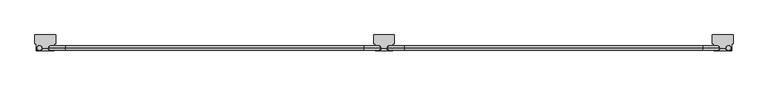
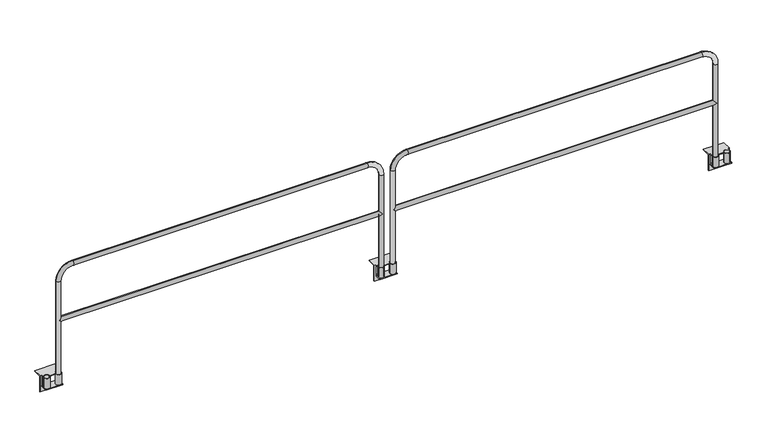
"""IFC4 building model written with IfcOpenShell, lengths in millimetres: railing geometry."""

from ifc_helpers import new_model, si_unit, point, frame, frame_2d, origin, place, context, project, spatial, polyline, circle_curve, ellipse_curve, trimmed, segment, composite_curve, outline, extrude, source, transform, mapped, element, save
from ifc_brep_helpers import plane_surface, cylinder_surface, revolved_surface, advanced_brep


def railing_3eb8ea91(model_context):
    return source(origin(), model_context, "Body", "SolidModel", [
        advanced_brep(
        [(22042.6627627, 9318.0676937, -95.25), (22042.6627627, 9318.0676937, -101.6), (22042.6627627, 9383.1551937, -101.6), (22042.6627627, 9383.1551937, -95.25), (22042.6627627, 9345.0551937, -95.25), (22042.6627627, 9383.1551937, 6.35), (22042.6627627, 9345.0551937, 6.35), (22042.6627627, 9345.0551937, 0.0), (22042.6627627, 9383.1551937, 0.0), (21880.9246893, 9383.1551937, -101.6), (21880.9246893, 9318.0676937, -101.6), (21880.9246893, 9318.0676937, -95.25), (21880.9246893, 9345.0551937, -95.25), (21880.9246893, 9383.1551937, -95.25), (21880.9246893, 9383.1551937, 0.0), (21880.9246893, 9345.0551937, 0.0), (21880.9246893, 9345.0551937, 6.35), (21880.9246893, 9383.1551937, 6.35), (21988.6877627, 9345.0551937, 6.35), (21934.8996893, 9345.0551937, 6.35), (21934.8996893, 9345.0551937, 0.0), (21988.6877627, 9345.0551937, 0.0), (21866.543726, 9465.7051937, 6.35), (21866.543726, 9383.1551937, 6.35), (22057.043726, 9383.1551937, 6.35), (22057.043726, 9465.7051937, 6.35), (21866.543726, 9465.7051937, 0.0), (22057.043726, 9465.7051937, 0.0), (21866.543726, 9389.5051937, 0.0), (22057.043726, 9389.5051937, 0.0), (22042.6627627, 9389.5051937, 0.0), (21880.9246893, 9389.5051937, 0.0), (21880.9246893, 9389.5051937, -95.25), (22042.6627627, 9389.5051937, -95.25), (22057.043726, 9389.5051937, -152.4), (21866.543726, 9389.5051937, -152.4), (21907.9121893, 9318.0676937, -95.25), (22015.6752627, 9318.0676937, -95.25), (21866.543726, 9383.1551937, -152.4), (22057.043726, 9383.1551937, -152.4)],
        [
            (0, 1),
            (1, 2),
            (2, 3),
            (3, 4),
            (4, 0),
            (5, 6),
            (6, 7),
            (7, 8),
            (8, 5),
            (9, 10),
            (10, 11),
            (11, 12),
            (12, 13),
            (13, 9),
            (14, 15),
            (15, 16),
            (16, 17),
            (17, 14),
            (18, 19),
            (19, 20),
            (20, 21),
            (21, 18),
            (22, 23),
            (23, 17),
            (16, 19, circle_curve(frame((21907.9121893, 9345.0551937, 6.35), z_axis=(0.0, 0.0, -1.0), x_axis=(1.0, 0.0, 0.0)), 26.9875)),
            (18, 6, circle_curve(frame((22015.6752627, 9345.0551937, 6.35), z_axis=(0.0, 0.0, -1.0), x_axis=(1.0, 0.0, 0.0)), 26.9875)),
            (5, 24),
            (24, 25),
            (25, 22),
            (26, 22),
            (25, 27),
            (27, 26),
            (28, 26),
            (27, 29),
            (29, 30),
            (30, 8),
            (7, 21, circle_curve(frame((22015.6752627, 9345.0551937, 0.0), z_axis=(0.0, 0.0, 1.0), x_axis=(1.0, 0.0, 0.0)), 26.9875)),
            (20, 15, circle_curve(frame((21907.9121893, 9345.0551937, 0.0), z_axis=(0.0, 0.0, 1.0), x_axis=(1.0, 0.0, 0.0)), 26.9875)),
            (14, 31),
            (31, 28),
            (32, 33),
            (33, 30),
            (29, 34),
            (34, 35),
            (35, 28),
            (31, 32),
            (32, 13),
            (11, 36),
            (36, 37),
            (37, 0),
            (3, 33),
            (10, 1),
            (9, 2),
            (35, 38),
            (38, 23),
            (14, 13),
            (24, 39),
            (39, 34),
            (3, 8),
            (38, 39),
        ],
        [
            plane_surface(frame((22042.6627627, 9389.5051937, 0.0), z_axis=(1.0, 0.0, 0.0), x_axis=(0.0, 0.0, 1.0))),
            plane_surface(frame((21880.9246893, 9389.5051937, 0.0), z_axis=(-1.0, 0.0, 0.0), x_axis=(0.0, 0.0, 1.0))),
            plane_surface(frame((22042.6627627, 9345.0551937, 6.35), z_axis=(0.0, -1.0, 0.0), x_axis=(-1.0, 0.0, 0.0))),
            plane_surface(frame((22042.6627627, 9465.7051937, 6.35), z_axis=(0.0, 0.0, 1.0), x_axis=(-1.0, 0.0, 0.0))),
            plane_surface(frame((22042.6627627, 9465.7051937, 0.0), z_axis=(0.0, 1.0, 0.0), x_axis=(-1.0, 0.0, 0.0))),
            plane_surface(frame((22042.6627627, 9345.0551937, 0.0), z_axis=(0.0, 0.0, -1.0), x_axis=(-1.0, 0.0, 0.0))),
            plane_surface(frame((22042.6627627, 9389.5051937, -152.4), z_axis=(0.0, 1.0, 0.0), x_axis=(-1.0, 0.0, 0.0))),
            plane_surface(frame((22042.6627627, 9389.5051937, -95.25), z_axis=(0.0, 0.0, 1.0), x_axis=(-1.0, 0.0, 0.0))),
            plane_surface(frame((22042.6627627, 9318.0676937, -95.25), z_axis=(0.0, -1.0, 0.0), x_axis=(-1.0, 0.0, 0.0))),
            plane_surface(frame((22042.6627627, 9318.0676937, -101.6), z_axis=(0.0, 0.0, -1.0), x_axis=(-1.0, 0.0, 0.0))),
            plane_surface(frame((21866.543726, 9389.5051937, 0.0), z_axis=(-1.0, 0.0, 0.0), x_axis=(0.0, 0.0, 1.0))),
            plane_surface(frame((21880.9246893, 9389.5051937, 0.0), z_axis=(1.0, 0.0, 0.0), x_axis=(0.0, 0.0, 1.0))),
            plane_surface(frame((22057.043726, 9389.5051937, 0.0), z_axis=(1.0, 0.0, 0.0), x_axis=(0.0, 0.0, 1.0))),
            plane_surface(frame((22042.6627627, 9389.5051937, 0.0), z_axis=(-1.0, 0.0, 0.0), x_axis=(0.0, 0.0, 1.0))),
            revolved_surface(polyline([(21934.8996893, 9345.0551937, 6.349999999999994), (21934.8996893, 9345.0551937, 0.0)]), (21907.9121893, 9345.0551937, -95.25), (0.0, 0.0, 1.0)),
            revolved_surface(polyline([(22042.662762699998, 9345.0551937, 6.35), (22042.662762699998, 9345.0551937, 0.0)]), (22015.6752627, 9345.0551937, 0.0), (0.0, 0.0, 1.0)),
            plane_surface(frame((22042.6627627, 9383.1551937, -101.6), z_axis=(0.0, -1.0, 0.0), x_axis=(-1.0, 0.0, 0.0))),
            plane_surface(frame((22042.6627627, 9383.1551937, -152.4), z_axis=(0.0, 0.0, -1.0), x_axis=(-1.0, 0.0, 0.0))),
        ],
        [
            (0, [[1, 2, 3, 4, 5]]),
            (0, [[6, 7, 8, 9]]),
            (1, [[10, 11, 12, 13, 14]]),
            (1, [[15, 16, 17, 18]]),
            (2, [[19, 20, 21, 22]]),
            (3, [[23, 24, -17, 25, -19, 26, -6, 27, 28, 29]]),
            (4, [[30, -29, 31, 32]]),
            (5, [[33, -32, 34, 35, 36, -8, 37, -21, 38, -15, 39, 40]]),
            (6, [[41, 42, -35, 43, 44, 45, -40, 46]]),
            (7, [[-41, 47, -13, -12, 48, 49, 50, -5, -4, 51]]),
            (8, [[-1, -50, -49, -48, -11, 52]]),
            (9, [[-2, -52, -10, 53]]),
            (10, [[54, 55, -23, -30, -33, -45]]),
            (11, [[-46, -39, 56, -47]]),
            (12, [[-43, -34, -31, -28, 57, 58]]),
            (13, [[-42, -51, 59, -36]]),
            (14, [[-16, -38, -20, -25]]),
            (15, [[-7, -26, -22, -37]]),
            (16, [[-53, -14, -56, -18, -24, -55, 60, -57, -27, -9, -59, -3]]),
            (17, [[-54, -44, -58, -60]]),
        ],
    ),
        extrude(outline(composite_curve([segment(trimmed(circle_curve(frame_2d((22015.6752627, 9345.0551937)), 26.9875), [point((21988.6877627, 9345.0551937))], [point((22042.6627627, 9345.0551937))], False, "CARTESIAN"), True, "CONTINUOUS"), segment(trimmed(circle_curve(frame_2d((22015.6752627, 9345.0551937)), 26.9875), [point((22042.6627627, 9345.0551937))], [point((21988.6877627, 9345.0551937))], False, "CARTESIAN"), True, "CONTINUOUS")], self_intersect=False), holes=[composite_curve([segment(trimmed(circle_curve(frame_2d((22015.6752627, 9345.0551937)), 20.6375), [point((21995.0377627, 9345.0551937))], [point((22036.3127627, 9345.0551937))], True, "CARTESIAN"), True, "CONTINUOUS"), segment(trimmed(circle_curve(frame_2d((22015.6752627, 9345.0551937)), 20.6375), [point((22036.3127627, 9345.0551937))], [point((21995.0377627, 9345.0551937))], True, "CARTESIAN"), True, "CONTINUOUS")], self_intersect=False)]), frame((0.0, 0.0, -95.25), z_axis=(0.0, 0.0, 1.0), x_axis=(1.0, 0.0, 0.0)), (0.0, 0.0, 1.0), 101.6),
        extrude(outline(composite_curve([segment(trimmed(circle_curve(frame_2d((21907.9121893, 9345.0551937)), 26.9875), [point((21880.9246893, 9345.0551937))], [point((21934.8996893, 9345.0551937))], False, "CARTESIAN"), True, "CONTINUOUS"), segment(trimmed(circle_curve(frame_2d((21907.9121893, 9345.0551937)), 26.9875), [point((21934.8996893, 9345.0551937))], [point((21880.9246893, 9345.0551937))], False, "CARTESIAN"), True, "CONTINUOUS")], self_intersect=False), holes=[composite_curve([segment(trimmed(circle_curve(frame_2d((21907.9121893, 9345.0551937)), 20.6375), [point((21887.2746893, 9345.0551937))], [point((21928.5496893, 9345.0551937))], True, "CARTESIAN"), True, "CONTINUOUS"), segment(trimmed(circle_curve(frame_2d((21907.9121893, 9345.0551937)), 20.6375), [point((21928.5496893, 9345.0551937))], [point((21887.2746893, 9345.0551937))], True, "CARTESIAN"), True, "CONTINUOUS")], self_intersect=False)]), frame((0.0, 0.0, -95.25), z_axis=(0.0, 0.0, 1.0), x_axis=(1.0, 0.0, 0.0)), (0.0, 0.0, 1.0), 101.6),
        advanced_brep(
        [(24995.4127627, 9318.0676937, -95.25), (24995.4127627, 9345.0551937, -95.25), (24995.4127627, 9383.1551937, -95.25), (24995.4127627, 9383.1551937, -101.6), (24995.4127627, 9318.0676937, -101.6), (24995.4127627, 9383.1551937, 6.35), (24995.4127627, 9383.1551937, 0.0), (24995.4127627, 9345.0551937, 0.0), (24995.4127627, 9345.0551937, 6.35), (25157.1508362, 9383.1551937, -101.6), (25157.1508362, 9383.1551937, -95.25), (25157.1508362, 9345.0551937, -95.25), (25157.1508362, 9318.0676937, -95.25), (25157.1508362, 9318.0676937, -101.6), (25157.1508362, 9383.1551937, 0.0), (25157.1508362, 9383.1551937, 6.35), (25157.1508362, 9345.0551937, 6.35), (25157.1508362, 9345.0551937, 0.0), (25049.3877627, 9345.0551937, 6.35), (25049.3877627, 9345.0551937, 0.0), (25103.1758362, 9345.0551937, 0.0), (25103.1758362, 9345.0551937, 6.35), (25171.5317994, 9465.7051937, 6.35), (24981.0317994, 9465.7051937, 6.35), (24981.0317994, 9383.1551937, 6.35), (25171.5317994, 9383.1551937, 6.35), (25171.5317994, 9465.7051937, 0.0), (24981.0317994, 9465.7051937, 0.0), (25171.5317994, 9389.5051937, 0.0), (25157.1508362, 9389.5051937, 0.0), (24995.4127627, 9389.5051937, 0.0), (24981.0317994, 9389.5051937, 0.0), (25157.1508362, 9389.5051937, -95.25), (25171.5317994, 9389.5051937, -152.4), (24981.0317994, 9389.5051937, -152.4), (24995.4127627, 9389.5051937, -95.25), (25022.4002627, 9318.0676937, -95.25), (25130.1633362, 9318.0676937, -95.25), (25171.5317994, 9383.1551937, -152.4), (24981.0317994, 9383.1551937, -152.4)],
        [
            (0, 1),
            (1, 2),
            (2, 3),
            (3, 4),
            (4, 0),
            (5, 6),
            (6, 7),
            (7, 8),
            (8, 5),
            (9, 10),
            (10, 11),
            (11, 12),
            (12, 13),
            (13, 9),
            (14, 15),
            (15, 16),
            (16, 17),
            (17, 14),
            (18, 19),
            (19, 20),
            (20, 21),
            (21, 18),
            (22, 23),
            (23, 24),
            (24, 5),
            (8, 18, circle_curve(frame((25022.4002627, 9345.0551937, 6.35), z_axis=(0.0, 0.0, -1.0), x_axis=(-1.0, 0.0, 0.0)), 26.9875)),
            (21, 16, circle_curve(frame((25130.1633362, 9345.0551937, 6.35), z_axis=(0.0, 0.0, -1.0), x_axis=(-1.0, 0.0, 0.0)), 26.9875)),
            (15, 25),
            (25, 22),
            (26, 27),
            (27, 23),
            (22, 26),
            (28, 29),
            (29, 14),
            (17, 20, circle_curve(frame((25130.1633362, 9345.0551937, 0.0), z_axis=(0.0, 0.0, 1.0), x_axis=(-1.0, 0.0, 0.0)), 26.9875)),
            (19, 7, circle_curve(frame((25022.4002627, 9345.0551937, 0.0), z_axis=(0.0, 0.0, 1.0), x_axis=(-1.0, 0.0, 0.0)), 26.9875)),
            (6, 30),
            (30, 31),
            (31, 27),
            (26, 28),
            (32, 29),
            (28, 33),
            (33, 34),
            (34, 31),
            (30, 35),
            (35, 32),
            (35, 2),
            (0, 36),
            (36, 37),
            (37, 12),
            (10, 32),
            (4, 13),
            (3, 9),
            (25, 38),
            (38, 33),
            (10, 14),
            (34, 39),
            (39, 24),
            (6, 2),
            (39, 38),
        ],
        [
            plane_surface(frame((24995.4127627, 9389.5051937, 0.0), z_axis=(-1.0, 0.0, 0.0), x_axis=(0.0, 0.0, 1.0))),
            plane_surface(frame((25157.1508362, 9389.5051937, 0.0), z_axis=(1.0, 0.0, 0.0), x_axis=(0.0, 0.0, 1.0))),
            plane_surface(frame((24995.4127627, 9345.0551937, 6.35), z_axis=(0.0, -1.0, 0.0), x_axis=(1.0, 0.0, 0.0))),
            plane_surface(frame((24995.4127627, 9465.7051937, 6.35), z_axis=(0.0, 0.0, 1.0), x_axis=(1.0, 0.0, 0.0))),
            plane_surface(frame((24995.4127627, 9465.7051937, 0.0), z_axis=(0.0, 1.0, 0.0), x_axis=(1.0, 0.0, 0.0))),
            plane_surface(frame((24995.4127627, 9345.0551937, 0.0), z_axis=(0.0, 0.0, -1.0), x_axis=(1.0, 0.0, 0.0))),
            plane_surface(frame((24995.4127627, 9389.5051937, -152.4), z_axis=(0.0, 1.0, 0.0), x_axis=(1.0, 0.0, 0.0))),
            plane_surface(frame((24995.4127627, 9389.5051937, -95.25), z_axis=(0.0, 0.0, 1.0), x_axis=(1.0, 0.0, 0.0))),
            plane_surface(frame((24995.4127627, 9318.0676937, -95.25), z_axis=(0.0, -1.0, 0.0), x_axis=(1.0, 0.0, 0.0))),
            plane_surface(frame((24995.4127627, 9318.0676937, -101.6), z_axis=(0.0, 0.0, -1.0), x_axis=(1.0, 0.0, 0.0))),
            plane_surface(frame((25171.5317994, 9389.5051937, 0.0), z_axis=(1.0, 0.0, 0.0), x_axis=(0.0, 0.0, 1.0))),
            plane_surface(frame((25157.1508362, 9389.5051937, 0.0), z_axis=(-1.0, 0.0, 0.0), x_axis=(0.0, 0.0, 1.0))),
            plane_surface(frame((24981.0317994, 9389.5051937, 0.0), z_axis=(-1.0, 0.0, 0.0), x_axis=(0.0, 0.0, 1.0))),
            plane_surface(frame((24995.4127627, 9389.5051937, 0.0), z_axis=(1.0, 0.0, 0.0), x_axis=(0.0, 0.0, 1.0))),
            revolved_surface(polyline([(25103.1758362, 9345.0551937, 6.349999999999994), (25103.1758362, 9345.0551937, 0.0)]), (25130.1633362, 9345.0551937, -95.25), (0.0, 0.0, 1.0)),
            revolved_surface(polyline([(24995.4127627, 9345.0551937, 6.35), (24995.4127627, 9345.0551937, 0.0)]), (25022.4002627, 9345.0551937, 0.0), (0.0, 0.0, 1.0)),
            plane_surface(frame((24995.4127627, 9383.1551937, -101.6), z_axis=(0.0, -1.0, 0.0), x_axis=(1.0, 0.0, 0.0))),
            plane_surface(frame((24995.4127627, 9383.1551937, -152.4), z_axis=(0.0, 0.0, -1.0), x_axis=(1.0, 0.0, 0.0))),
        ],
        [
            (0, [[1, 2, 3, 4, 5]]),
            (0, [[6, 7, 8, 9]]),
            (1, [[10, 11, 12, 13, 14]]),
            (1, [[15, 16, 17, 18]]),
            (2, [[19, 20, 21, 22]]),
            (3, [[23, 24, 25, -9, 26, -22, 27, -16, 28, 29]]),
            (4, [[30, 31, -23, 32]]),
            (5, [[33, 34, -18, 35, -20, 36, -7, 37, 38, 39, -30, 40]]),
            (6, [[41, -33, 42, 43, 44, -38, 45, 46]]),
            (7, [[47, -2, -1, 48, 49, 50, -12, -11, 51, -46]]),
            (8, [[52, -13, -50, -49, -48, -5]]),
            (9, [[53, -14, -52, -4]]),
            (10, [[-42, -40, -32, -29, 54, 55]]),
            (11, [[-51, 56, -34, -41]]),
            (12, [[57, 58, -24, -31, -39, -44]]),
            (13, [[-37, 59, -47, -45]]),
            (14, [[-27, -21, -35, -17]]),
            (15, [[-36, -19, -26, -8]]),
            (16, [[-3, -59, -6, -25, -58, 60, -54, -28, -15, -56, -10, -53]]),
            (17, [[-60, -57, -43, -55]]),
        ],
    ),
        extrude(outline(composite_curve([segment(trimmed(circle_curve(frame_2d((25022.4002627, 9345.0551937)), 26.9875), [point((25049.3877627, 9345.0551937))], [point((24995.4127627, 9345.0551937))], False, "CARTESIAN"), True, "CONTINUOUS"), segment(trimmed(circle_curve(frame_2d((25022.4002627, 9345.0551937)), 26.9875), [point((24995.4127627, 9345.0551937))], [point((25049.3877627, 9345.0551937))], False, "CARTESIAN"), True, "CONTINUOUS")], self_intersect=False), holes=[composite_curve([segment(trimmed(circle_curve(frame_2d((25022.4002627, 9345.0551937)), 20.6375), [point((25043.0377627, 9345.0551937))], [point((25001.7627627, 9345.0551937))], True, "CARTESIAN"), True, "CONTINUOUS"), segment(trimmed(circle_curve(frame_2d((25022.4002627, 9345.0551937)), 20.6375), [point((25001.7627627, 9345.0551937))], [point((25043.0377627, 9345.0551937))], True, "CARTESIAN"), True, "CONTINUOUS")], self_intersect=False)]), frame((0.0, 0.0, -95.25), z_axis=(0.0, 0.0, 1.0), x_axis=(1.0, 0.0, 0.0)), (0.0, 0.0, 1.0), 101.6),
        extrude(outline(composite_curve([segment(trimmed(circle_curve(frame_2d((25130.1633362, 9345.0551937)), 26.9875), [point((25157.1508362, 9345.0551937))], [point((25103.1758362, 9345.0551937))], False, "CARTESIAN"), True, "CONTINUOUS"), segment(trimmed(circle_curve(frame_2d((25130.1633362, 9345.0551937)), 26.9875), [point((25103.1758362, 9345.0551937))], [point((25157.1508362, 9345.0551937))], False, "CARTESIAN"), True, "CONTINUOUS")], self_intersect=False), holes=[composite_curve([segment(trimmed(circle_curve(frame_2d((25130.1633362, 9345.0551937)), 20.6375), [point((25150.8008362, 9345.0551937))], [point((25109.5258362, 9345.0551937))], True, "CARTESIAN"), True, "CONTINUOUS"), segment(trimmed(circle_curve(frame_2d((25130.1633362, 9345.0551937)), 20.6375), [point((25109.5258362, 9345.0551937))], [point((25150.8008362, 9345.0551937))], True, "CARTESIAN"), True, "CONTINUOUS")], self_intersect=False)]), frame((0.0, 0.0, -95.25), z_axis=(0.0, 0.0, 1.0), x_axis=(1.0, 0.0, 0.0)), (0.0, 0.0, 1.0), 101.6),
        advanced_brep(
        [(22036.3127627, 9345.0551937, 554.0375), (22015.6752627, 9324.4176937, 533.4), (22036.3127627, 9345.0551937, 512.7625), (25001.7627627, 9345.0551937, 512.7625), (25022.4002627, 9324.4176937, 533.4), (25001.7627627, 9345.0551937, 554.0375), (25022.4002627, 9365.6926937, 533.4), (22015.6752627, 9365.6926937, 533.4), (21995.0377627, 9345.0551937, -95.25), (22036.3127627, 9345.0551937, -95.25), (22036.3127627, 9345.0551937, 914.4), (21995.0377627, 9345.0551937, 914.4), (22147.4377627, 9345.0551937, 1025.525), (22147.4377627, 9345.0551937, 1066.8), (24890.6377627, 9345.0551937, 1025.525), (24890.6377627, 9345.0551937, 1066.8), (25001.7627627, 9345.0551937, 914.4), (25043.0377627, 9345.0551937, 914.4), (25043.0377627, 9345.0551937, -95.25), (25001.7627627, 9345.0551937, -95.25)],
        [
            (0, 1, ellipse_curve(frame((22015.6752627, 9345.0551937, 533.4), z_axis=(0.7071067811865475, 0.0, -0.7071067811865475), x_axis=(-0.7071067811865476, 0.0, -0.7071067811865474)), 29.1858324, 20.6375)),
            (1, 2, ellipse_curve(frame((22015.6752627, 9345.0551937, 533.4), z_axis=(0.7071067811865475, 0.0, 0.7071067811865475), x_axis=(-0.7071067811865476, 0.0, 0.7071067811865474)), 29.1858324, 20.6375)),
            (2, 3),
            (3, 4, ellipse_curve(frame((25022.4002627, 9345.0551937, 533.4), z_axis=(-0.7071067811865475, 0.0, 0.7071067811865475), x_axis=(-0.7071067811865476, 0.0, -0.7071067811865474)), 29.1858324, 20.6375)),
            (4, 5, ellipse_curve(frame((25022.4002627, 9345.0551937, 533.4), z_axis=(-0.7071067811865475, 0.0, -0.7071067811865475), x_axis=(-0.7071067811865476, 0.0, 0.7071067811865474)), 29.1858324, 20.6375)),
            (5, 0),
            (5, 6, ellipse_curve(frame((25022.4002627, 9345.0551937, 533.4), z_axis=(-0.7071067811865475, 0.0, -0.7071067811865475), x_axis=(-0.7071067811865476, 0.0, 0.7071067811865474)), 29.1858324, 20.6375)),
            (6, 3, ellipse_curve(frame((25022.4002627, 9345.0551937, 533.4), z_axis=(-0.7071067811865475, 0.0, 0.7071067811865475), x_axis=(-0.7071067811865476, 0.0, -0.7071067811865474)), 29.1858324, 20.6375)),
            (2, 7, ellipse_curve(frame((22015.6752627, 9345.0551937, 533.4), z_axis=(0.7071067811865475, 0.0, 0.7071067811865475), x_axis=(-0.7071067811865476, 0.0, 0.7071067811865474)), 29.1858324, 20.6375)),
            (7, 0, ellipse_curve(frame((22015.6752627, 9345.0551937, 533.4), z_axis=(0.7071067811865475, 0.0, -0.7071067811865475), x_axis=(-0.7071067811865476, 0.0, -0.7071067811865474)), 29.1858324, 20.6375)),
            (8, 9, circle_curve(frame((22015.6752627, 9345.0551937, -95.25), z_axis=(0.0, 0.0, -1.0), x_axis=(1.0, 0.0, 0.0)), 20.6375)),
            (9, 8, circle_curve(frame((22015.6752627, 9345.0551937, -95.25), z_axis=(0.0, 0.0, -1.0), x_axis=(1.0, 0.0, 0.0)), 20.6375)),
            (9, 2),
            (0, 10),
            (10, 11, circle_curve(frame((22015.6752627, 9345.0551937, 914.4), z_axis=(0.0, 0.0, -1.0), x_axis=(1.0, 0.0, 0.0)), 20.6375)),
            (11, 8),
            (11, 10, circle_curve(frame((22015.6752627, 9345.0551937, 914.4), z_axis=(0.0, 0.0, -1.0), x_axis=(1.0, 0.0, 0.0)), 20.6375)),
            (10, 12, circle_curve(frame((22147.4377627, 9345.0551937, 914.4), z_axis=(0.0, 1.0, 0.0), x_axis=(-1.0, 0.0, 0.0)), 111.125)),
            (12, 13, circle_curve(frame((22147.4377627, 9345.0551937, 1046.1625), z_axis=(-1.0, 0.0, 0.0), x_axis=(0.0, 0.0, -1.0)), 20.6375)),
            (13, 11, circle_curve(frame((22147.4377627, 9345.0551937, 914.4), z_axis=(0.0, -1.0, 0.0), x_axis=(-1.0, 0.0, 0.0)), 152.4)),
            (13, 12, circle_curve(frame((22147.4377627, 9345.0551937, 1046.1625), z_axis=(-1.0, 0.0, 0.0), x_axis=(0.0, 0.0, -1.0)), 20.6375)),
            (12, 14),
            (14, 15, circle_curve(frame((24890.6377627, 9345.0551937, 1046.1625), z_axis=(-1.0, 0.0, 0.0), x_axis=(0.0, 0.0, -1.0)), 20.6375)),
            (15, 13),
            (15, 14, circle_curve(frame((24890.6377627, 9345.0551937, 1046.1625), z_axis=(-1.0, 0.0, 0.0), x_axis=(0.0, 0.0, -1.0)), 20.6375)),
            (14, 16, circle_curve(frame((24890.6377627, 9345.0551937, 914.4), z_axis=(0.0, 1.0, 0.0), x_axis=(0.0, 0.0, 1.0)), 111.125)),
            (16, 17, circle_curve(frame((25022.4002627, 9345.0551937, 914.4), z_axis=(0.0, 0.0, 1.0), x_axis=(-1.0, 0.0, 0.0)), 20.6375)),
            (17, 15, circle_curve(frame((24890.6377627, 9345.0551937, 914.4), z_axis=(0.0, -1.0, 0.0), x_axis=(0.0, 0.0, 1.0)), 152.4)),
            (17, 16, circle_curve(frame((25022.4002627, 9345.0551937, 914.4), z_axis=(0.0, 0.0, 1.0), x_axis=(-1.0, 0.0, 0.0)), 20.6375)),
            (18, 19, circle_curve(frame((25022.4002627, 9345.0551937, -95.25), z_axis=(0.0, 0.0, -1.0), x_axis=(-1.0, 0.0, 0.0)), 20.6375)),
            (19, 18, circle_curve(frame((25022.4002627, 9345.0551937, -95.25), z_axis=(0.0, 0.0, -1.0), x_axis=(-1.0, 0.0, 0.0)), 20.6375)),
            (16, 5),
            (3, 19),
            (18, 17),
        ],
        [
            cylinder_surface(frame((22015.6752627, 9345.0551937, 533.4), z_axis=(-1.0, 0.0, 0.0), x_axis=(0.0, 0.0, -1.0)), 20.6375),
            plane_surface(frame((21995.0377627, 9345.0551937, -95.25), z_axis=(0.0, 0.0, -1.0), x_axis=(0.0, -1.0, 0.0))),
            cylinder_surface(frame((22015.6752627, 9345.0551937, -95.25), z_axis=(0.0, 0.0, -1.0), x_axis=(1.0, 0.0, 0.0)), 20.6375),
            revolved_surface(trimmed(ellipse_curve(frame((22015.6752627, 9345.0551937, 914.4), z_axis=(0.0, 0.0, 1.0), x_axis=(1.0, 0.0, 0.0)), 20.6375, 20.6375), [point((21995.0377627, 9345.0551937, 914.4))], [point((22036.3127627, 9345.0551937, 914.4))], True, "CARTESIAN"), (22147.4377627, 9345.0551937, 914.4), (0.0, -1.0, 0.0)),
            revolved_surface(trimmed(ellipse_curve(frame((22015.6752627, 9345.0551937, 914.4), z_axis=(0.0, 0.0, 1.0), x_axis=(1.0, 0.0, 0.0)), 20.6375, 20.6375), [point((22036.3127627, 9345.0551937, 914.4))], [point((21995.0377627, 9345.0551937, 914.4))], True, "CARTESIAN"), (22147.4377627, 9345.0551937, 914.4), (0.0, -1.0, 0.0)),
            cylinder_surface(frame((22147.4377627, 9345.0551937, 1046.1625), z_axis=(-1.0, 0.0, 0.0), x_axis=(0.0, 0.0, -1.0)), 20.6375),
            revolved_surface(trimmed(ellipse_curve(frame((24890.6377627, 9345.0551937, 1046.1625), z_axis=(1.0, 0.0, 0.0), x_axis=(0.0, 0.0, -1.0)), 20.6375, 20.6375), [point((24890.6377627, 9345.0551937, 1066.8))], [point((24890.6377627, 9345.0551937, 1025.525))], True, "CARTESIAN"), (24890.6377627, 9345.0551937, 914.4), (0.0, -1.0, 0.0)),
            revolved_surface(trimmed(ellipse_curve(frame((24890.6377627, 9345.0551937, 1046.1625), z_axis=(1.0, 0.0, 0.0), x_axis=(0.0, 0.0, -1.0)), 20.6375, 20.6375), [point((24890.6377627, 9345.0551937, 1025.525))], [point((24890.6377627, 9345.0551937, 1066.8))], True, "CARTESIAN"), (24890.6377627, 9345.0551937, 914.4), (0.0, -1.0, 0.0)),
            plane_surface(frame((25043.0377627, 9345.0551937, -95.25), z_axis=(0.0, 0.0, -1.0), x_axis=(0.0, -1.0, 0.0))),
            cylinder_surface(frame((25022.4002627, 9345.0551937, 914.4), z_axis=(0.0, 0.0, 1.0), x_axis=(-1.0, 0.0, 0.0)), 20.6375),
        ],
        [
            (0, [[1, 2, 3, 4, 5, 6]]),
            (0, [[7, 8, -3, 9, 10, -6]]),
            (1, [[11, 12]]),
            (2, [[13, -2, -1, 14, 15, 16, -12]]),
            (2, [[-16, 17, -14, -10, -9, -13, -11]]),
            (3, [[18, 19, 20, -15]]),
            (4, [[-20, 21, -18, -17]]),
            (5, [[22, 23, 24, -19]]),
            (5, [[-24, 25, -22, -21]]),
            (6, [[26, 27, 28, -23]]),
            (7, [[-28, 29, -26, -25]]),
            (8, [[30, 31]]),
            (9, [[32, -5, -4, 33, -30, 34, -27]]),
            (9, [[-34, -31, -33, -8, -7, -32, -29]]),
        ],
    ),
        advanced_brep(
        [(18928.1862002, 9318.0676937, -95.25), (18928.1862002, 9318.0676937, -101.6), (18928.1862002, 9383.1551937, -101.6), (18928.1862002, 9383.1551937, -95.25), (18928.1862002, 9345.0551937, -95.25), (18928.1862002, 9383.1551937, 6.35), (18928.1862002, 9345.0551937, 6.35), (18928.1862002, 9345.0551937, 0.0), (18928.1862002, 9383.1551937, 0.0), (18766.4481268, 9383.1551937, -101.6), (18766.4481268, 9318.0676937, -101.6), (18766.4481268, 9318.0676937, -95.25), (18766.4481268, 9345.0551937, -95.25), (18766.4481268, 9383.1551937, -95.25), (18766.4481268, 9383.1551937, 0.0), (18766.4481268, 9345.0551937, 0.0), (18766.4481268, 9345.0551937, 6.35), (18766.4481268, 9383.1551937, 6.35), (18874.2112002, 9345.0551937, 6.35), (18820.4231268, 9345.0551937, 6.35), (18820.4231268, 9345.0551937, 0.0), (18874.2112002, 9345.0551937, 0.0), (18752.0671635, 9465.7051937, 6.35), (18752.0671635, 9383.1551937, 6.35), (18942.5671635, 9383.1551937, 6.35), (18942.5671635, 9465.7051937, 6.35), (18752.0671635, 9465.7051937, 0.0), (18942.5671635, 9465.7051937, 0.0), (18752.0671635, 9389.5051937, 0.0), (18942.5671635, 9389.5051937, 0.0), (18928.1862002, 9389.5051937, 0.0), (18766.4481268, 9389.5051937, 0.0), (18766.4481268, 9389.5051937, -95.25), (18928.1862002, 9389.5051937, -95.25), (18942.5671635, 9389.5051937, -152.4), (18752.0671635, 9389.5051937, -152.4), (18793.4356268, 9318.0676937, -95.25), (18901.1987002, 9318.0676937, -95.25), (18752.0671635, 9383.1551937, -152.4), (18942.5671635, 9383.1551937, -152.4)],
        [
            (0, 1),
            (1, 2),
            (2, 3),
            (3, 4),
            (4, 0),
            (5, 6),
            (6, 7),
            (7, 8),
            (8, 5),
            (9, 10),
            (10, 11),
            (11, 12),
            (12, 13),
            (13, 9),
            (14, 15),
            (15, 16),
            (16, 17),
            (17, 14),
            (18, 19),
            (19, 20),
            (20, 21),
            (21, 18),
            (22, 23),
            (23, 17),
            (16, 19, circle_curve(frame((18793.4356268, 9345.0551937, 6.35), z_axis=(0.0, 0.0, -1.0), x_axis=(1.0, 0.0, 0.0)), 26.9875)),
            (18, 6, circle_curve(frame((18901.1987002, 9345.0551937, 6.35), z_axis=(0.0, 0.0, -1.0), x_axis=(1.0, 0.0, 0.0)), 26.9875)),
            (5, 24),
            (24, 25),
            (25, 22),
            (26, 22),
            (25, 27),
            (27, 26),
            (28, 26),
            (27, 29),
            (29, 30),
            (30, 8),
            (7, 21, circle_curve(frame((18901.1987002, 9345.0551937, 0.0), z_axis=(0.0, 0.0, 1.0), x_axis=(1.0, 0.0, 0.0)), 26.9875)),
            (20, 15, circle_curve(frame((18793.4356268, 9345.0551937, 0.0), z_axis=(0.0, 0.0, 1.0), x_axis=(1.0, 0.0, 0.0)), 26.9875)),
            (14, 31),
            (31, 28),
            (32, 33),
            (33, 30),
            (29, 34),
            (34, 35),
            (35, 28),
            (31, 32),
            (32, 13),
            (11, 36),
            (36, 37),
            (37, 0),
            (3, 33),
            (10, 1),
            (9, 2),
            (35, 38),
            (38, 23),
            (14, 13),
            (24, 39),
            (39, 34),
            (3, 8),
            (38, 39),
        ],
        [
            plane_surface(frame((18928.1862002, 9389.5051937, 0.0), z_axis=(1.0, 0.0, 0.0), x_axis=(0.0, 0.0, 1.0))),
            plane_surface(frame((18766.4481268, 9389.5051937, 0.0), z_axis=(-1.0, 0.0, 0.0), x_axis=(0.0, 0.0, 1.0))),
            plane_surface(frame((18928.1862002, 9345.0551937, 6.35), z_axis=(0.0, -1.0, 0.0), x_axis=(-1.0, 0.0, 0.0))),
            plane_surface(frame((18928.1862002, 9465.7051937, 6.35), z_axis=(0.0, 0.0, 1.0), x_axis=(-1.0, 0.0, 0.0))),
            plane_surface(frame((18928.1862002, 9465.7051937, 0.0), z_axis=(0.0, 1.0, 0.0), x_axis=(-1.0, 0.0, 0.0))),
            plane_surface(frame((18928.1862002, 9345.0551937, 0.0), z_axis=(0.0, 0.0, -1.0), x_axis=(-1.0, 0.0, 0.0))),
            plane_surface(frame((18928.1862002, 9389.5051937, -152.4), z_axis=(0.0, 1.0, 0.0), x_axis=(-1.0, 0.0, 0.0))),
            plane_surface(frame((18928.1862002, 9389.5051937, -95.25), z_axis=(0.0, 0.0, 1.0), x_axis=(-1.0, 0.0, 0.0))),
            plane_surface(frame((18928.1862002, 9318.0676937, -95.25), z_axis=(0.0, -1.0, 0.0), x_axis=(-1.0, 0.0, 0.0))),
            plane_surface(frame((18928.1862002, 9318.0676937, -101.6), z_axis=(0.0, 0.0, -1.0), x_axis=(-1.0, 0.0, 0.0))),
            plane_surface(frame((18752.0671635, 9389.5051937, 0.0), z_axis=(-1.0, 0.0, 0.0), x_axis=(0.0, 0.0, 1.0))),
            plane_surface(frame((18766.4481268, 9389.5051937, 0.0), z_axis=(1.0, 0.0, 0.0), x_axis=(0.0, 0.0, 1.0))),
            plane_surface(frame((18942.5671635, 9389.5051937, 0.0), z_axis=(1.0, 0.0, 0.0), x_axis=(0.0, 0.0, 1.0))),
            plane_surface(frame((18928.1862002, 9389.5051937, 0.0), z_axis=(-1.0, 0.0, 0.0), x_axis=(0.0, 0.0, 1.0))),
            revolved_surface(polyline([(18820.4231268, 9345.0551937, 6.349999999999994), (18820.4231268, 9345.0551937, 0.0)]), (18793.4356268, 9345.0551937, -95.25), (0.0, 0.0, 1.0)),
            revolved_surface(polyline([(18928.186200199998, 9345.0551937, 6.35), (18928.186200199998, 9345.0551937, 0.0)]), (18901.1987002, 9345.0551937, 0.0), (0.0, 0.0, 1.0)),
            plane_surface(frame((18928.1862002, 9383.1551937, -101.6), z_axis=(0.0, -1.0, 0.0), x_axis=(-1.0, 0.0, 0.0))),
            plane_surface(frame((18928.1862002, 9383.1551937, -152.4), z_axis=(0.0, 0.0, -1.0), x_axis=(-1.0, 0.0, 0.0))),
        ],
        [
            (0, [[1, 2, 3, 4, 5]]),
            (0, [[6, 7, 8, 9]]),
            (1, [[10, 11, 12, 13, 14]]),
            (1, [[15, 16, 17, 18]]),
            (2, [[19, 20, 21, 22]]),
            (3, [[23, 24, -17, 25, -19, 26, -6, 27, 28, 29]]),
            (4, [[30, -29, 31, 32]]),
            (5, [[33, -32, 34, 35, 36, -8, 37, -21, 38, -15, 39, 40]]),
            (6, [[41, 42, -35, 43, 44, 45, -40, 46]]),
            (7, [[-41, 47, -13, -12, 48, 49, 50, -5, -4, 51]]),
            (8, [[-1, -50, -49, -48, -11, 52]]),
            (9, [[-2, -52, -10, 53]]),
            (10, [[54, 55, -23, -30, -33, -45]]),
            (11, [[-46, -39, 56, -47]]),
            (12, [[-43, -34, -31, -28, 57, 58]]),
            (13, [[-42, -51, 59, -36]]),
            (14, [[-16, -38, -20, -25]]),
            (15, [[-7, -26, -22, -37]]),
            (16, [[-53, -14, -56, -18, -24, -55, 60, -57, -27, -9, -59, -3]]),
            (17, [[-54, -44, -58, -60]]),
        ],
    ),
        extrude(outline(composite_curve([segment(trimmed(circle_curve(frame_2d((18901.1987002, 9345.0551937)), 26.9875), [point((18874.2112002, 9345.0551937))], [point((18928.1862002, 9345.0551937))], False, "CARTESIAN"), True, "CONTINUOUS"), segment(trimmed(circle_curve(frame_2d((18901.1987002, 9345.0551937)), 26.9875), [point((18928.1862002, 9345.0551937))], [point((18874.2112002, 9345.0551937))], False, "CARTESIAN"), True, "CONTINUOUS")], self_intersect=False), holes=[composite_curve([segment(trimmed(circle_curve(frame_2d((18901.1987002, 9345.0551937)), 20.6375), [point((18880.5612002, 9345.0551937))], [point((18921.8362002, 9345.0551937))], True, "CARTESIAN"), True, "CONTINUOUS"), segment(trimmed(circle_curve(frame_2d((18901.1987002, 9345.0551937)), 20.6375), [point((18921.8362002, 9345.0551937))], [point((18880.5612002, 9345.0551937))], True, "CARTESIAN"), True, "CONTINUOUS")], self_intersect=False)]), frame((0.0, 0.0, -95.25), z_axis=(0.0, 0.0, 1.0), x_axis=(1.0, 0.0, 0.0)), (0.0, 0.0, 1.0), 101.6),
        extrude(outline(composite_curve([segment(trimmed(circle_curve(frame_2d((18793.4356268, 9345.0551937)), 26.9875), [point((18766.4481268, 9345.0551937))], [point((18820.4231268, 9345.0551937))], False, "CARTESIAN"), True, "CONTINUOUS"), segment(trimmed(circle_curve(frame_2d((18793.4356268, 9345.0551937)), 26.9875), [point((18820.4231268, 9345.0551937))], [point((18766.4481268, 9345.0551937))], False, "CARTESIAN"), True, "CONTINUOUS")], self_intersect=False), holes=[composite_curve([segment(trimmed(circle_curve(frame_2d((18793.4356268, 9345.0551937)), 20.6375), [point((18772.7981268, 9345.0551937))], [point((18814.0731268, 9345.0551937))], True, "CARTESIAN"), True, "CONTINUOUS"), segment(trimmed(circle_curve(frame_2d((18793.4356268, 9345.0551937)), 20.6375), [point((18814.0731268, 9345.0551937))], [point((18772.7981268, 9345.0551937))], True, "CARTESIAN"), True, "CONTINUOUS")], self_intersect=False)]), frame((0.0, 0.0, -95.25), z_axis=(0.0, 0.0, 1.0), x_axis=(1.0, 0.0, 0.0)), (0.0, 0.0, 1.0), 101.6),
        advanced_brep(
        [(21880.9362002, 9318.0676937, -95.25), (21880.9362002, 9345.0551937, -95.25), (21880.9362002, 9383.1551937, -95.25), (21880.9362002, 9383.1551937, -101.6), (21880.9362002, 9318.0676937, -101.6), (21880.9362002, 9383.1551937, 6.35), (21880.9362002, 9383.1551937, 0.0), (21880.9362002, 9345.0551937, 0.0), (21880.9362002, 9345.0551937, 6.35), (22042.6742737, 9383.1551937, -101.6), (22042.6742737, 9383.1551937, -95.25), (22042.6742737, 9345.0551937, -95.25), (22042.6742737, 9318.0676937, -95.25), (22042.6742737, 9318.0676937, -101.6), (22042.6742737, 9383.1551937, 0.0), (22042.6742737, 9383.1551937, 6.35), (22042.6742737, 9345.0551937, 6.35), (22042.6742737, 9345.0551937, 0.0), (21934.9112002, 9345.0551937, 6.35), (21934.9112002, 9345.0551937, 0.0), (21988.6992737, 9345.0551937, 0.0), (21988.6992737, 9345.0551937, 6.35), (22057.0552369, 9465.7051937, 6.35), (21866.5552369, 9465.7051937, 6.35), (21866.5552369, 9383.1551937, 6.35), (22057.0552369, 9383.1551937, 6.35), (22057.0552369, 9465.7051937, 0.0), (21866.5552369, 9465.7051937, 0.0), (22057.0552369, 9389.5051937, 0.0), (22042.6742737, 9389.5051937, 0.0), (21880.9362002, 9389.5051937, 0.0), (21866.5552369, 9389.5051937, 0.0), (22042.6742737, 9389.5051937, -95.25), (22057.0552369, 9389.5051937, -152.4), (21866.5552369, 9389.5051937, -152.4), (21880.9362002, 9389.5051937, -95.25), (21907.9237002, 9318.0676937, -95.25), (22015.6867737, 9318.0676937, -95.25), (22057.0552369, 9383.1551937, -152.4), (21866.5552369, 9383.1551937, -152.4)],
        [
            (0, 1),
            (1, 2),
            (2, 3),
            (3, 4),
            (4, 0),
            (5, 6),
            (6, 7),
            (7, 8),
            (8, 5),
            (9, 10),
            (10, 11),
            (11, 12),
            (12, 13),
            (13, 9),
            (14, 15),
            (15, 16),
            (16, 17),
            (17, 14),
            (18, 19),
            (19, 20),
            (20, 21),
            (21, 18),
            (22, 23),
            (23, 24),
            (24, 5),
            (8, 18, circle_curve(frame((21907.9237002, 9345.0551937, 6.35), z_axis=(0.0, 0.0, -1.0), x_axis=(-1.0, 0.0, 0.0)), 26.9875)),
            (21, 16, circle_curve(frame((22015.6867737, 9345.0551937, 6.35), z_axis=(0.0, 0.0, -1.0), x_axis=(-1.0, 0.0, 0.0)), 26.9875)),
            (15, 25),
            (25, 22),
            (26, 27),
            (27, 23),
            (22, 26),
            (28, 29),
            (29, 14),
            (17, 20, circle_curve(frame((22015.6867737, 9345.0551937, 0.0), z_axis=(0.0, 0.0, 1.0), x_axis=(-1.0, 0.0, 0.0)), 26.9875)),
            (19, 7, circle_curve(frame((21907.9237002, 9345.0551937, 0.0), z_axis=(0.0, 0.0, 1.0), x_axis=(-1.0, 0.0, 0.0)), 26.9875)),
            (6, 30),
            (30, 31),
            (31, 27),
            (26, 28),
            (32, 29),
            (28, 33),
            (33, 34),
            (34, 31),
            (30, 35),
            (35, 32),
            (35, 2),
            (0, 36),
            (36, 37),
            (37, 12),
            (10, 32),
            (4, 13),
            (3, 9),
            (25, 38),
            (38, 33),
            (10, 14),
            (34, 39),
            (39, 24),
            (6, 2),
            (39, 38),
        ],
        [
            plane_surface(frame((21880.9362002, 9389.5051937, 0.0), z_axis=(-1.0, 0.0, 0.0), x_axis=(0.0, 0.0, 1.0))),
            plane_surface(frame((22042.6742737, 9389.5051937, 0.0), z_axis=(1.0, 0.0, 0.0), x_axis=(0.0, 0.0, 1.0))),
            plane_surface(frame((21880.9362002, 9345.0551937, 6.35), z_axis=(0.0, -1.0, 0.0), x_axis=(1.0, 0.0, 0.0))),
            plane_surface(frame((21880.9362002, 9465.7051937, 6.35), z_axis=(0.0, 0.0, 1.0), x_axis=(1.0, 0.0, 0.0))),
            plane_surface(frame((21880.9362002, 9465.7051937, 0.0), z_axis=(0.0, 1.0, 0.0), x_axis=(1.0, 0.0, 0.0))),
            plane_surface(frame((21880.9362002, 9345.0551937, 0.0), z_axis=(0.0, 0.0, -1.0), x_axis=(1.0, 0.0, 0.0))),
            plane_surface(frame((21880.9362002, 9389.5051937, -152.4), z_axis=(0.0, 1.0, 0.0), x_axis=(1.0, 0.0, 0.0))),
            plane_surface(frame((21880.9362002, 9389.5051937, -95.25), z_axis=(0.0, 0.0, 1.0), x_axis=(1.0, 0.0, 0.0))),
            plane_surface(frame((21880.9362002, 9318.0676937, -95.25), z_axis=(0.0, -1.0, 0.0), x_axis=(1.0, 0.0, 0.0))),
            plane_surface(frame((21880.9362002, 9318.0676937, -101.6), z_axis=(0.0, 0.0, -1.0), x_axis=(1.0, 0.0, 0.0))),
            plane_surface(frame((22057.0552369, 9389.5051937, 0.0), z_axis=(1.0, 0.0, 0.0), x_axis=(0.0, 0.0, 1.0))),
            plane_surface(frame((22042.6742737, 9389.5051937, 0.0), z_axis=(-1.0, 0.0, 0.0), x_axis=(0.0, 0.0, 1.0))),
            plane_surface(frame((21866.5552369, 9389.5051937, 0.0), z_axis=(-1.0, 0.0, 0.0), x_axis=(0.0, 0.0, 1.0))),
            plane_surface(frame((21880.9362002, 9389.5051937, 0.0), z_axis=(1.0, 0.0, 0.0), x_axis=(0.0, 0.0, 1.0))),
            revolved_surface(polyline([(21988.6992737, 9345.0551937, 6.349999999999994), (21988.6992737, 9345.0551937, 0.0)]), (22015.6867737, 9345.0551937, -95.25), (0.0, 0.0, 1.0)),
            revolved_surface(polyline([(21880.9362002, 9345.0551937, 6.35), (21880.9362002, 9345.0551937, 0.0)]), (21907.9237002, 9345.0551937, 0.0), (0.0, 0.0, 1.0)),
            plane_surface(frame((21880.9362002, 9383.1551937, -101.6), z_axis=(0.0, -1.0, 0.0), x_axis=(1.0, 0.0, 0.0))),
            plane_surface(frame((21880.9362002, 9383.1551937, -152.4), z_axis=(0.0, 0.0, -1.0), x_axis=(1.0, 0.0, 0.0))),
        ],
        [
            (0, [[1, 2, 3, 4, 5]]),
            (0, [[6, 7, 8, 9]]),
            (1, [[10, 11, 12, 13, 14]]),
            (1, [[15, 16, 17, 18]]),
            (2, [[19, 20, 21, 22]]),
            (3, [[23, 24, 25, -9, 26, -22, 27, -16, 28, 29]]),
            (4, [[30, 31, -23, 32]]),
            (5, [[33, 34, -18, 35, -20, 36, -7, 37, 38, 39, -30, 40]]),
            (6, [[41, -33, 42, 43, 44, -38, 45, 46]]),
            (7, [[47, -2, -1, 48, 49, 50, -12, -11, 51, -46]]),
            (8, [[52, -13, -50, -49, -48, -5]]),
            (9, [[53, -14, -52, -4]]),
            (10, [[-42, -40, -32, -29, 54, 55]]),
            (11, [[-51, 56, -34, -41]]),
            (12, [[57, 58, -24, -31, -39, -44]]),
            (13, [[-37, 59, -47, -45]]),
            (14, [[-27, -21, -35, -17]]),
            (15, [[-36, -19, -26, -8]]),
            (16, [[-3, -59, -6, -25, -58, 60, -54, -28, -15, -56, -10, -53]]),
            (17, [[-60, -57, -43, -55]]),
        ],
    ),
        extrude(outline(composite_curve([segment(trimmed(circle_curve(frame_2d((21907.9237002, 9345.0551937)), 26.9875), [point((21934.9112002, 9345.0551937))], [point((21880.9362002, 9345.0551937))], False, "CARTESIAN"), True, "CONTINUOUS"), segment(trimmed(circle_curve(frame_2d((21907.9237002, 9345.0551937)), 26.9875), [point((21880.9362002, 9345.0551937))], [point((21934.9112002, 9345.0551937))], False, "CARTESIAN"), True, "CONTINUOUS")], self_intersect=False), holes=[composite_curve([segment(trimmed(circle_curve(frame_2d((21907.9237002, 9345.0551937)), 20.6375), [point((21928.5612002, 9345.0551937))], [point((21887.2862002, 9345.0551937))], True, "CARTESIAN"), True, "CONTINUOUS"), segment(trimmed(circle_curve(frame_2d((21907.9237002, 9345.0551937)), 20.6375), [point((21887.2862002, 9345.0551937))], [point((21928.5612002, 9345.0551937))], True, "CARTESIAN"), True, "CONTINUOUS")], self_intersect=False)]), frame((0.0, 0.0, -95.25), z_axis=(0.0, 0.0, 1.0), x_axis=(1.0, 0.0, 0.0)), (0.0, 0.0, 1.0), 101.6),
        extrude(outline(composite_curve([segment(trimmed(circle_curve(frame_2d((22015.6867737, 9345.0551937)), 26.9875), [point((22042.6742737, 9345.0551937))], [point((21988.6992737, 9345.0551937))], False, "CARTESIAN"), True, "CONTINUOUS"), segment(trimmed(circle_curve(frame_2d((22015.6867737, 9345.0551937)), 26.9875), [point((21988.6992737, 9345.0551937))], [point((22042.6742737, 9345.0551937))], False, "CARTESIAN"), True, "CONTINUOUS")], self_intersect=False), holes=[composite_curve([segment(trimmed(circle_curve(frame_2d((22015.6867737, 9345.0551937)), 20.6375), [point((22036.3242737, 9345.0551937))], [point((21995.0492737, 9345.0551937))], True, "CARTESIAN"), True, "CONTINUOUS"), segment(trimmed(circle_curve(frame_2d((22015.6867737, 9345.0551937)), 20.6375), [point((21995.0492737, 9345.0551937))], [point((22036.3242737, 9345.0551937))], True, "CARTESIAN"), True, "CONTINUOUS")], self_intersect=False)]), frame((0.0, 0.0, -95.25), z_axis=(0.0, 0.0, 1.0), x_axis=(1.0, 0.0, 0.0)), (0.0, 0.0, 1.0), 101.6),
        advanced_brep(
        [(18921.8362002, 9345.0551937, 554.0375), (18901.1987002, 9324.4176937, 533.4), (18921.8362002, 9345.0551937, 512.7625), (21887.2862002, 9345.0551937, 512.7625), (21907.9237002, 9324.4176937, 533.4), (21887.2862002, 9345.0551937, 554.0375), (21907.9237002, 9365.6926937, 533.4), (18901.1987002, 9365.6926937, 533.4), (18880.5612002, 9345.0551937, -95.25), (18921.8362002, 9345.0551937, -95.25), (18921.8362002, 9345.0551937, 914.4), (18880.5612002, 9345.0551937, 914.4), (19032.9612002, 9345.0551937, 1025.525), (19032.9612002, 9345.0551937, 1066.8), (21776.1612002, 9345.0551937, 1025.525), (21776.1612002, 9345.0551937, 1066.8), (21887.2862002, 9345.0551937, 914.4), (21928.5612002, 9345.0551937, 914.4), (21928.5612002, 9345.0551937, -95.25), (21887.2862002, 9345.0551937, -95.25)],
        [
            (0, 1, ellipse_curve(frame((18901.1987002, 9345.0551937, 533.4), z_axis=(0.7071067811865475, 0.0, -0.7071067811865475), x_axis=(-0.7071067811865476, 0.0, -0.7071067811865474)), 29.1858324, 20.6375)),
            (1, 2, ellipse_curve(frame((18901.1987002, 9345.0551937, 533.4), z_axis=(0.7071067811865475, 0.0, 0.7071067811865475), x_axis=(-0.7071067811865476, 0.0, 0.7071067811865474)), 29.1858324, 20.6375)),
            (2, 3),
            (3, 4, ellipse_curve(frame((21907.9237002, 9345.0551937, 533.4), z_axis=(-0.7071067811865475, 0.0, 0.7071067811865475), x_axis=(-0.7071067811865476, 0.0, -0.7071067811865474)), 29.1858324, 20.6375)),
            (4, 5, ellipse_curve(frame((21907.9237002, 9345.0551937, 533.4), z_axis=(-0.7071067811865475, 0.0, -0.7071067811865475), x_axis=(-0.7071067811865476, 0.0, 0.7071067811865474)), 29.1858324, 20.6375)),
            (5, 0),
            (5, 6, ellipse_curve(frame((21907.9237002, 9345.0551937, 533.4), z_axis=(-0.7071067811865475, 0.0, -0.7071067811865475), x_axis=(-0.7071067811865476, 0.0, 0.7071067811865474)), 29.1858324, 20.6375)),
            (6, 3, ellipse_curve(frame((21907.9237002, 9345.0551937, 533.4), z_axis=(-0.7071067811865475, 0.0, 0.7071067811865475), x_axis=(-0.7071067811865476, 0.0, -0.7071067811865474)), 29.1858324, 20.6375)),
            (2, 7, ellipse_curve(frame((18901.1987002, 9345.0551937, 533.4), z_axis=(0.7071067811865475, 0.0, 0.7071067811865475), x_axis=(-0.7071067811865476, 0.0, 0.7071067811865474)), 29.1858324, 20.6375)),
            (7, 0, ellipse_curve(frame((18901.1987002, 9345.0551937, 533.4), z_axis=(0.7071067811865475, 0.0, -0.7071067811865475), x_axis=(-0.7071067811865476, 0.0, -0.7071067811865474)), 29.1858324, 20.6375)),
            (8, 9, circle_curve(frame((18901.1987002, 9345.0551937, -95.25), z_axis=(0.0, 0.0, -1.0), x_axis=(1.0, 0.0, 0.0)), 20.6375)),
            (9, 8, circle_curve(frame((18901.1987002, 9345.0551937, -95.25), z_axis=(0.0, 0.0, -1.0), x_axis=(1.0, 0.0, 0.0)), 20.6375)),
            (9, 2),
            (0, 10),
            (10, 11, circle_curve(frame((18901.1987002, 9345.0551937, 914.4), z_axis=(0.0, 0.0, -1.0), x_axis=(1.0, 0.0, 0.0)), 20.6375)),
            (11, 8),
            (11, 10, circle_curve(frame((18901.1987002, 9345.0551937, 914.4), z_axis=(0.0, 0.0, -1.0), x_axis=(1.0, 0.0, 0.0)), 20.6375)),
            (10, 12, circle_curve(frame((19032.9612002, 9345.0551937, 914.4), z_axis=(0.0, 1.0, 0.0), x_axis=(-1.0, 0.0, 0.0)), 111.125)),
            (12, 13, circle_curve(frame((19032.9612002, 9345.0551937, 1046.1625), z_axis=(-1.0, 0.0, 0.0), x_axis=(0.0, 0.0, -1.0)), 20.6375)),
            (13, 11, circle_curve(frame((19032.9612002, 9345.0551937, 914.4), z_axis=(0.0, -1.0, 0.0), x_axis=(-1.0, 0.0, 0.0)), 152.4)),
            (13, 12, circle_curve(frame((19032.9612002, 9345.0551937, 1046.1625), z_axis=(-1.0, 0.0, 0.0), x_axis=(0.0, 0.0, -1.0)), 20.6375)),
            (12, 14),
            (14, 15, circle_curve(frame((21776.1612002, 9345.0551937, 1046.1625), z_axis=(-1.0, 0.0, 0.0), x_axis=(0.0, 0.0, -1.0)), 20.6375)),
            (15, 13),
            (15, 14, circle_curve(frame((21776.1612002, 9345.0551937, 1046.1625), z_axis=(-1.0, 0.0, 0.0), x_axis=(0.0, 0.0, -1.0)), 20.6375)),
            (14, 16, circle_curve(frame((21776.1612002, 9345.0551937, 914.4), z_axis=(0.0, 1.0, 0.0), x_axis=(0.0, 0.0, 1.0)), 111.125)),
            (16, 17, circle_curve(frame((21907.9237002, 9345.0551937, 914.4), z_axis=(0.0, 0.0, 1.0), x_axis=(-1.0, 0.0, 0.0)), 20.6375)),
            (17, 15, circle_curve(frame((21776.1612002, 9345.0551937, 914.4), z_axis=(0.0, -1.0, 0.0), x_axis=(0.0, 0.0, 1.0)), 152.4)),
            (17, 16, circle_curve(frame((21907.9237002, 9345.0551937, 914.4), z_axis=(0.0, 0.0, 1.0), x_axis=(-1.0, 0.0, 0.0)), 20.6375)),
            (18, 19, circle_curve(frame((21907.9237002, 9345.0551937, -95.25), z_axis=(0.0, 0.0, -1.0), x_axis=(-1.0, 0.0, 0.0)), 20.6375)),
            (19, 18, circle_curve(frame((21907.9237002, 9345.0551937, -95.25), z_axis=(0.0, 0.0, -1.0), x_axis=(-1.0, 0.0, 0.0)), 20.6375)),
            (16, 5),
            (3, 19),
            (18, 17),
        ],
        [
            cylinder_surface(frame((18901.1987002, 9345.0551937, 533.4), z_axis=(-1.0, 0.0, 0.0), x_axis=(0.0, 0.0, -1.0)), 20.6375),
            plane_surface(frame((18880.5612002, 9345.0551937, -95.25), z_axis=(0.0, 0.0, -1.0), x_axis=(0.0, -1.0, 0.0))),
            cylinder_surface(frame((18901.1987002, 9345.0551937, -95.25), z_axis=(0.0, 0.0, -1.0), x_axis=(1.0, 0.0, 0.0)), 20.6375),
            revolved_surface(trimmed(ellipse_curve(frame((18901.1987002, 9345.0551937, 914.4), z_axis=(0.0, 0.0, 1.0), x_axis=(1.0, 0.0, 0.0)), 20.6375, 20.6375), [point((18880.5612002, 9345.0551937, 914.4))], [point((18921.8362002, 9345.0551937, 914.4))], True, "CARTESIAN"), (19032.9612002, 9345.0551937, 914.4), (0.0, -1.0, 0.0)),
            revolved_surface(trimmed(ellipse_curve(frame((18901.1987002, 9345.0551937, 914.4), z_axis=(0.0, 0.0, 1.0), x_axis=(1.0, 0.0, 0.0)), 20.6375, 20.6375), [point((18921.8362002, 9345.0551937, 914.4))], [point((18880.5612002, 9345.0551937, 914.4))], True, "CARTESIAN"), (19032.9612002, 9345.0551937, 914.4), (0.0, -1.0, 0.0)),
            cylinder_surface(frame((19032.9612002, 9345.0551937, 1046.1625), z_axis=(-1.0, 0.0, 0.0), x_axis=(0.0, 0.0, -1.0)), 20.6375),
            revolved_surface(trimmed(ellipse_curve(frame((21776.1612002, 9345.0551937, 1046.1625), z_axis=(1.0, 0.0, 0.0), x_axis=(0.0, 0.0, -1.0)), 20.6375, 20.6375), [point((21776.1612002, 9345.0551937, 1066.8))], [point((21776.1612002, 9345.0551937, 1025.525))], True, "CARTESIAN"), (21776.1612002, 9345.0551937, 914.4), (0.0, -1.0, 0.0)),
            revolved_surface(trimmed(ellipse_curve(frame((21776.1612002, 9345.0551937, 1046.1625), z_axis=(1.0, 0.0, 0.0), x_axis=(0.0, 0.0, -1.0)), 20.6375, 20.6375), [point((21776.1612002, 9345.0551937, 1025.525))], [point((21776.1612002, 9345.0551937, 1066.8))], True, "CARTESIAN"), (21776.1612002, 9345.0551937, 914.4), (0.0, -1.0, 0.0)),
            plane_surface(frame((21928.5612002, 9345.0551937, -95.25), z_axis=(0.0, 0.0, -1.0), x_axis=(0.0, -1.0, 0.0))),
            cylinder_surface(frame((21907.9237002, 9345.0551937, 914.4), z_axis=(0.0, 0.0, 1.0), x_axis=(-1.0, 0.0, 0.0)), 20.6375),
        ],
        [
            (0, [[1, 2, 3, 4, 5, 6]]),
            (0, [[7, 8, -3, 9, 10, -6]]),
            (1, [[11, 12]]),
            (2, [[13, -2, -1, 14, 15, 16, -12]]),
            (2, [[-16, 17, -14, -10, -9, -13, -11]]),
            (3, [[18, 19, 20, -15]]),
            (4, [[-20, 21, -18, -17]]),
            (5, [[22, 23, 24, -19]]),
            (5, [[-24, 25, -22, -21]]),
            (6, [[26, 27, 28, -23]]),
            (7, [[-28, 29, -26, -25]]),
            (8, [[30, 31]]),
            (9, [[32, -5, -4, 33, -30, 34, -27]]),
            (9, [[-34, -31, -33, -8, -7, -32, -29]]),
        ],
    ),
    ])


if __name__ == "__main__":
    model = new_model("IFC4")
    model_context = context("Model", 3, world=origin())
    ifc_project = project(units=[si_unit("LENGTHUNIT", "METRE", prefix="MILLI")], contexts=[model_context])
    site = spatial("IfcSite", under=ifc_project)
    building = spatial("IfcBuilding", under=site)
    placement = place(None, origin())
    railing_shape = railing_3eb8ea91(model_context)
    element("IfcRailing", 1, at=placement, inside=building, context=model_context, shape_type="MappedRepresentation", body=[
        mapped(railing_shape, transform((0.0, 0.0, 0.0), x_axis=(1.0, 0.0, 0.0), y_axis=(0.0, 1.0, 0.0), z_axis=(0.0, 0.0, 1.0))),
    ])
    save(model, "model.ifc")
